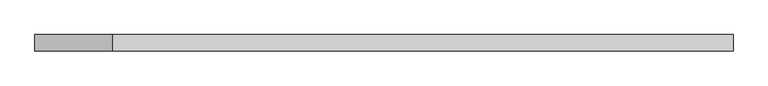
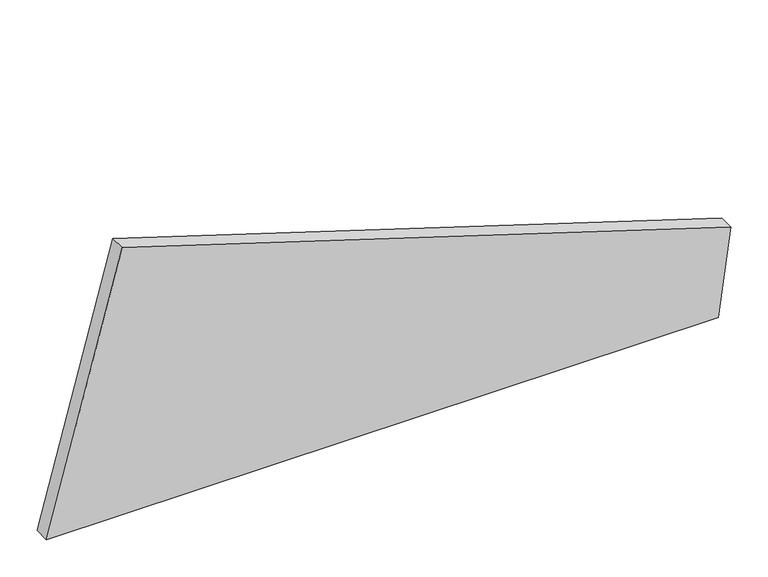
"""IFC4 building model written with IfcOpenShell, lengths in millimetres: plate geometry."""

import ifcopenshell
import ifcopenshell.guid

model = None  # the IFC model being written
_history = None  # IfcOwnerHistory: only IFC2X3 demands one
_inside = {}  # id of a spatial element -> (the spatial element, [elements in it])
_under = {}  # id of a project, library or spatial element -> (it, [spatial elements below it])
_declared = {}  # id of a project -> (the project, [libraries it declares])
_typed = {}  # id of a type object -> (the type object, [elements of that type])
_made_of = {}  # id of a material, layer set ... -> (it, [elements and type objects made of it])


def new_model(schema):
    """Start an empty IFC model of exactly this schema.

    Asked for "IFC4X3", IfcOpenShell would pick the latest addendum, in which some entities
    have other attributes; the version numbers below select the first issue.
    IFC2X3 requires an IfcOwnerHistory on every rooted entity: one is made here for all.
    """
    global model, _history
    if schema == "IFC4X3":
        model = ifcopenshell.file(schema_version=(4, 3, 0, 0))
    else:
        model = ifcopenshell.file(schema=schema)
    _inside.clear()
    _under.clear()
    _declared.clear()
    _typed.clear()
    _made_of.clear()
    _history = None
    if model.schema == "IFC2X3":
        org = make("IfcOrganization", Name="unknown")
        user = make(
            "IfcPersonAndOrganization",
            ThePerson=make("IfcPerson", FamilyName="unknown"),
            TheOrganization=org,
        )
        app = make(
            "IfcApplication",
            ApplicationDeveloper=org,
            Version="unknown",
            ApplicationFullName="unknown",
            ApplicationIdentifier="unknown",
        )
        _history = make(
            "IfcOwnerHistory",
            OwningUser=user,
            OwningApplication=app,
            ChangeAction="ADDED",
            CreationDate=0,
        )
    return model


def make(cls, **values):
    """One entity of the class cls with the attributes given. An attribute that is None is left unset."""
    return model.create_entity(
        cls, **{name: value for name, value in values.items() if value is not None}
    )


def rooted(cls, **values):
    """An entity with a GlobalId (a new one), such as an element, a storey or a relation."""
    return make(cls, GlobalId=ifcopenshell.guid.new(), OwnerHistory=_history, **values)


def si_unit(unit_type, name, prefix=None):
    """IfcSIUnit, for example si_unit("LENGTHUNIT", "METRE", prefix="MILLI")."""
    return make("IfcSIUnit", UnitType=unit_type, Prefix=prefix, Name=name)


def assignment(units):
    """IfcUnitAssignment: the units of a project."""
    return None if units is None else make("IfcUnitAssignment", Units=units)


def point(xyz):
    """IfcCartesianPoint."""
    return None if xyz is None else make("IfcCartesianPoint", Coordinates=xyz)


def direction(xyz):
    """IfcDirection."""
    return None if xyz is None else make("IfcDirection", DirectionRatios=xyz)


def frame(location, z_axis=None, x_axis=None):
    """IfcAxis2Placement3D, a coordinate frame: its origin and axes. An axis left out is left unset."""
    return make(
        "IfcAxis2Placement3D",
        Location=point(location),
        Axis=direction(z_axis),
        RefDirection=direction(x_axis),
    )


def origin():
    """The frame at (0, 0, 0) with its axes left unset."""
    return frame((0.0, 0.0, 0.0))


def place(relative_to, where):
    """IfcLocalPlacement: puts the frame where relative to a parent placement (None: the world)."""
    return make(
        "IfcLocalPlacement", PlacementRelTo=relative_to, RelativePlacement=where
    )


def context(
    kind, dimensions, precision=None, world=None, true_north=None, identifier=None
):
    """IfcGeometricRepresentationContext, for example the 3D "Model" context."""
    return make(
        "IfcGeometricRepresentationContext",
        ContextIdentifier=identifier,
        ContextType=kind,
        CoordinateSpaceDimension=dimensions,
        Precision=precision,
        WorldCoordinateSystem=world,
        TrueNorth=true_north,
    )


def project(units=None, contexts=None):
    """IfcProject with its units and contexts."""
    return rooted(
        "IfcProject",
        Name="project",
        RepresentationContexts=contexts,
        UnitsInContext=assignment(units),
    )


def spatial(cls, under=None, at=None, **own):
    """A site, building, storey or space (cls), placed at a placement, below another one or the project."""
    s = rooted(cls, ObjectPlacement=at, **own)
    if under is not None:
        _under.setdefault(under.id(), (under, []))[1].append(s)
    return s


def polyline(points):
    """IfcPolyline through the points."""
    return make("IfcPolyline", Points=[point(p) for p in points])


def outline(outer, holes=None, kind="AREA"):
    """IfcArbitraryClosedProfileDef: a profile drawn as a closed curve; with holes, ...WithVoids."""
    if holes is None:
        return make("IfcArbitraryClosedProfileDef", ProfileType=kind, OuterCurve=outer)
    return make(
        "IfcArbitraryProfileDefWithVoids",
        ProfileType=kind,
        OuterCurve=outer,
        InnerCurves=holes,
    )


def extrude(swept, where, along, depth):
    """IfcExtrudedAreaSolid: the profile swept, set in the frame where, extruded along a direction by depth."""
    return make(
        "IfcExtrudedAreaSolid",
        SweptArea=swept,
        Position=where,
        ExtrudedDirection=direction(along),
        Depth=depth,
    )


def shape(context_of_items, identifier, shape_type, items):
    """IfcShapeRepresentation: the items that make up one representation, for example the "Body"."""
    return make(
        "IfcShapeRepresentation",
        ContextOfItems=context_of_items,
        RepresentationIdentifier=identifier,
        RepresentationType=shape_type,
        Items=items,
    )


def source(mapping_origin, context_of_items, identifier, shape_type, items):
    """IfcRepresentationMap: a shape defined once, which mapped items show again and again."""
    return make(
        "IfcRepresentationMap",
        MappingOrigin=mapping_origin,
        MappedRepresentation=shape(context_of_items, identifier, shape_type, items),
    )


def transform(
    local_origin,
    x_axis=None,
    y_axis=None,
    z_axis=None,
    scale=None,
    scale2=None,
    scale3=None,
    uniform=True,
):
    """IfcCartesianTransformationOperator3D, or its non-uniform kind. x_axis, y_axis, z_axis: its Axis1, 2, 3."""
    if uniform:
        return make(
            "IfcCartesianTransformationOperator3D",
            Axis1=direction(x_axis),
            Axis2=direction(y_axis),
            LocalOrigin=point(local_origin),
            Scale=scale,
            Axis3=direction(z_axis),
        )
    return make(
        "IfcCartesianTransformationOperator3DnonUniform",
        Axis1=direction(x_axis),
        Axis2=direction(y_axis),
        LocalOrigin=point(local_origin),
        Scale=scale,
        Axis3=direction(z_axis),
        Scale2=scale2,
        Scale3=scale3,
    )


def mapped(mapping_source, mapping_target):
    """IfcMappedItem: shows the shape of a source again, moved by a transform."""
    return make(
        "IfcMappedItem", MappingSource=mapping_source, MappingTarget=mapping_target
    )


def made_of(thing, what):
    """Note that an element or type object is made of a material, layer set ...; save() writes the relation."""
    if what is not None:
        _made_of.setdefault(what.id(), (what, []))[1].append(thing)
    return thing


def element(
    cls,
    number,
    at=None,
    inside=None,
    cuts=None,
    type_object=None,
    material=None,
    context=None,
    identifier="Body",
    shape_type=None,
    held_by="IfcProductDefinitionShape",
    body=None,
    shapes=None,
    **own,
):
    """One element of the class cls, such as IfcWall. Its Tag is "e" and its number.

    at: its placement. inside: the storey or other place that contains it. cuts: it is an
    opening in that element (IfcRelVoidsElement). A single representation is given by context,
    identifier, shape_type and body (its items); several are given by shapes. held_by: the class
    of the entity that holds the representations. save() writes the other relations.
    """
    e = rooted(cls, Tag="e%d" % number, ObjectPlacement=at, **own)
    if body is not None:
        shapes = [shape(context, identifier, shape_type, body)]
    if shapes is not None:
        e.Representation = make(held_by, Representations=shapes)
    if inside is not None:
        _inside.setdefault(inside.id(), (inside, []))[1].append(e)
    if cuts is not None:
        rooted(
            "IfcRelVoidsElement", RelatingBuildingElement=cuts, RelatedOpeningElement=e
        )
    if type_object is not None:
        _typed.setdefault(type_object.id(), (type_object, []))[1].append(e)
    return made_of(e, material)


def aggregate(whole, parts):
    """IfcRelAggregates: a whole, such as a stair, and the parts it consists of."""
    return rooted("IfcRelAggregates", RelatingObject=whole, RelatedObjects=parts)


def save(model, path):
    """Write the relations noted so far, then the file.

    IfcRelAggregates (storeys below a building ...), IfcRelContainedInSpatialStructure (elements
    in a storey), IfcRelDefinesByType, IfcRelAssociatesMaterial and IfcRelDeclares: one each for
    every whole, place, type object, material and project.
    """
    for whole, parts in _under.values():
        aggregate(whole, parts)
    for where, things in _inside.values():
        rooted(
            "IfcRelContainedInSpatialStructure",
            RelatedElements=things,
            RelatingStructure=where,
        )
    for kind, things in _typed.values():
        rooted("IfcRelDefinesByType", RelatedObjects=things, RelatingType=kind)
    for what, things in _made_of.values():
        rooted("IfcRelAssociatesMaterial", RelatedObjects=things, RelatingMaterial=what)
    for by, libraries in _declared.values():
        rooted("IfcRelDeclares", RelatingContext=by, RelatedDefinitions=libraries)
    model.write(path)


def plate_58a7881c(model_context):
    return source(origin(), model_context, "Body", "SweptSolid", [
        extrude(outline(polyline([(0.0, -531.8428439), (0.0, 512.6244003), (141.5702196, 531.8428439), (438.9217575, -414.2341134), (0.0, -531.8428439)])), frame((0.0, 24.5, 0.0), z_axis=(0.0, 1.0, 0.0), x_axis=(0.0, 0.0, 1.0)), (0.0, 0.0, 1.0), 25.0),
    ])


if __name__ == "__main__":
    model = new_model("IFC4")
    model_context = context("Model", 3, world=origin())
    ifc_project = project(units=[si_unit("LENGTHUNIT", "METRE", prefix="MILLI")], contexts=[model_context])
    site = spatial("IfcSite", under=ifc_project)
    building = spatial("IfcBuilding", under=site)
    placement = place(None, origin())
    plate_shape = plate_58a7881c(model_context)
    element("IfcPlate", 1, at=placement, inside=building, context=model_context, shape_type="MappedRepresentation", body=[
        mapped(plate_shape, transform((0.0, 0.0, 0.0), x_axis=(1.0, 0.0, 0.0), y_axis=(0.0, 1.0, 0.0), z_axis=(0.0, 0.0, 1.0))),
    ])
    save(model, "model.ifc")
